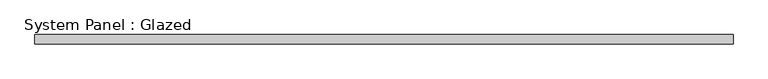
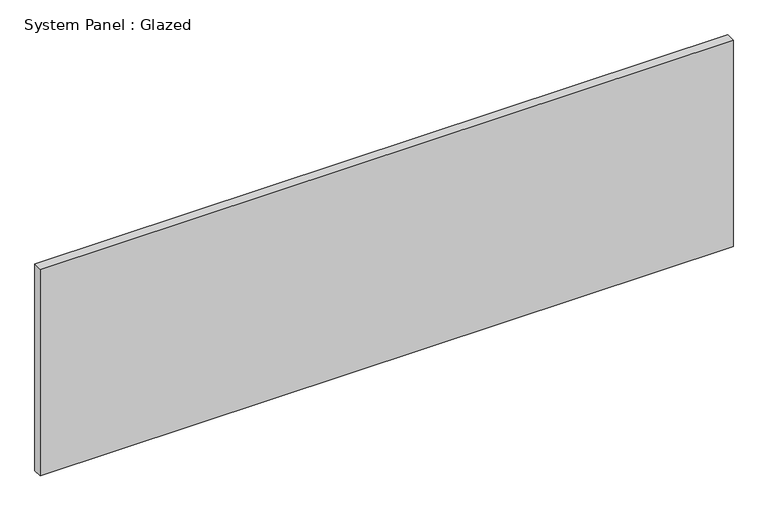
"""IFC4 building model written with IfcOpenShell, lengths in millimetres: plate geometry, System Panel : Glazed."""

from ifc_helpers import new_model, si_unit, origin, origin_with_axes, place, context, project, spatial, polyline, outline, extrude, source, transform, mapped, element, save


def system_panel_glazed_806ff044(model_context):
    return source(origin(), model_context, "Body", "SweptSolid", [
        extrude(outline(polyline([(951.5, -37.5), (-951.5, -37.5), (-951.5, -12.5), (951.5, -12.5), (951.5, -37.5)])), origin_with_axes(), (0.0, 0.0, 1.0), 600.0),
    ])


if __name__ == "__main__":
    model = new_model("IFC4")
    model_context = context("Model", 3, world=origin())
    ifc_project = project(units=[si_unit("LENGTHUNIT", "METRE", prefix="MILLI")], contexts=[model_context])
    site = spatial("IfcSite", under=ifc_project)
    building = spatial("IfcBuilding", under=site)
    placement = place(None, origin())
    system_panel_glazed_shape = system_panel_glazed_806ff044(model_context)
    element("IfcPlate", 1, ObjectType="System Panel : Glazed", at=placement, inside=building, context=model_context, shape_type="MappedRepresentation", body=[
        mapped(system_panel_glazed_shape, transform((0.0, 0.0, 0.0), x_axis=(1.0, 0.0, 0.0), y_axis=(0.0, 1.0, 0.0), z_axis=(0.0, 0.0, 1.0))),
    ])
    save(model, "model.ifc")
